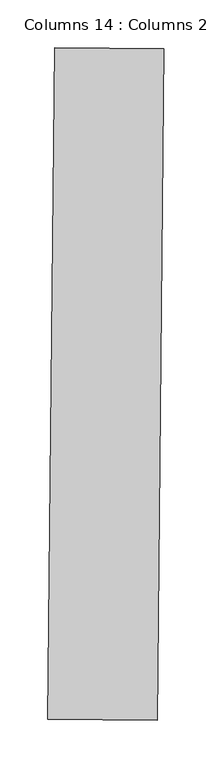
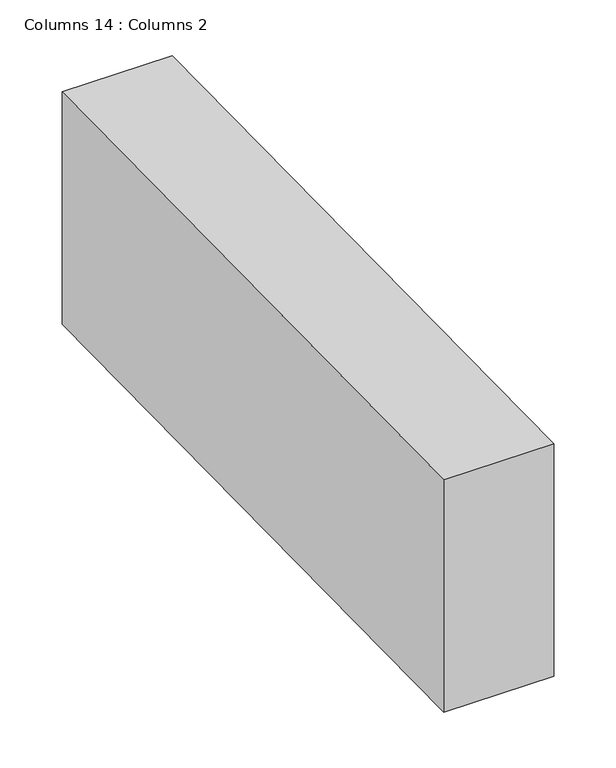
"""IFC4 building model written with IfcOpenShell, lengths in millimetres: column geometry, Columns 14 : Columns 2."""

import ifcopenshell
import ifcopenshell.guid

model = None  # the IFC model being written
_history = None  # IfcOwnerHistory: only IFC2X3 demands one
_inside = {}  # id of a spatial element -> (the spatial element, [elements in it])
_under = {}  # id of a project, library or spatial element -> (it, [spatial elements below it])
_declared = {}  # id of a project -> (the project, [libraries it declares])
_typed = {}  # id of a type object -> (the type object, [elements of that type])
_made_of = {}  # id of a material, layer set ... -> (it, [elements and type objects made of it])


def new_model(schema):
    """Start an empty IFC model of exactly this schema.

    Asked for "IFC4X3", IfcOpenShell would pick the latest addendum, in which some entities
    have other attributes; the version numbers below select the first issue.
    IFC2X3 requires an IfcOwnerHistory on every rooted entity: one is made here for all.
    """
    global model, _history
    if schema == "IFC4X3":
        model = ifcopenshell.file(schema_version=(4, 3, 0, 0))
    else:
        model = ifcopenshell.file(schema=schema)
    _inside.clear()
    _under.clear()
    _declared.clear()
    _typed.clear()
    _made_of.clear()
    _history = None
    if model.schema == "IFC2X3":
        org = make("IfcOrganization", Name="unknown")
        user = make(
            "IfcPersonAndOrganization",
            ThePerson=make("IfcPerson", FamilyName="unknown"),
            TheOrganization=org,
        )
        app = make(
            "IfcApplication",
            ApplicationDeveloper=org,
            Version="unknown",
            ApplicationFullName="unknown",
            ApplicationIdentifier="unknown",
        )
        _history = make(
            "IfcOwnerHistory",
            OwningUser=user,
            OwningApplication=app,
            ChangeAction="ADDED",
            CreationDate=0,
        )
    return model


def make(cls, **values):
    """One entity of the class cls with the attributes given. An attribute that is None is left unset."""
    return model.create_entity(
        cls, **{name: value for name, value in values.items() if value is not None}
    )


def rooted(cls, **values):
    """An entity with a GlobalId (a new one), such as an element, a storey or a relation."""
    return make(cls, GlobalId=ifcopenshell.guid.new(), OwnerHistory=_history, **values)


def si_unit(unit_type, name, prefix=None):
    """IfcSIUnit, for example si_unit("LENGTHUNIT", "METRE", prefix="MILLI")."""
    return make("IfcSIUnit", UnitType=unit_type, Prefix=prefix, Name=name)


def assignment(units):
    """IfcUnitAssignment: the units of a project."""
    return None if units is None else make("IfcUnitAssignment", Units=units)


def point(xyz):
    """IfcCartesianPoint."""
    return None if xyz is None else make("IfcCartesianPoint", Coordinates=xyz)


def direction(xyz):
    """IfcDirection."""
    return None if xyz is None else make("IfcDirection", DirectionRatios=xyz)


def frame(location, z_axis=None, x_axis=None):
    """IfcAxis2Placement3D, a coordinate frame: its origin and axes. An axis left out is left unset."""
    return make(
        "IfcAxis2Placement3D",
        Location=point(location),
        Axis=direction(z_axis),
        RefDirection=direction(x_axis),
    )


def origin():
    """The frame at (0, 0, 0) with its axes left unset."""
    return frame((0.0, 0.0, 0.0))


def place(relative_to, where):
    """IfcLocalPlacement: puts the frame where relative to a parent placement (None: the world)."""
    return make(
        "IfcLocalPlacement", PlacementRelTo=relative_to, RelativePlacement=where
    )


def context(
    kind, dimensions, precision=None, world=None, true_north=None, identifier=None
):
    """IfcGeometricRepresentationContext, for example the 3D "Model" context."""
    return make(
        "IfcGeometricRepresentationContext",
        ContextIdentifier=identifier,
        ContextType=kind,
        CoordinateSpaceDimension=dimensions,
        Precision=precision,
        WorldCoordinateSystem=world,
        TrueNorth=true_north,
    )


def project(units=None, contexts=None):
    """IfcProject with its units and contexts."""
    return rooted(
        "IfcProject",
        Name="project",
        RepresentationContexts=contexts,
        UnitsInContext=assignment(units),
    )


def spatial(cls, under=None, at=None, **own):
    """A site, building, storey or space (cls), placed at a placement, below another one or the project."""
    s = rooted(cls, ObjectPlacement=at, **own)
    if under is not None:
        _under.setdefault(under.id(), (under, []))[1].append(s)
    return s


def polyline(points):
    """IfcPolyline through the points."""
    return make("IfcPolyline", Points=[point(p) for p in points])


def outline(outer, holes=None, kind="AREA"):
    """IfcArbitraryClosedProfileDef: a profile drawn as a closed curve; with holes, ...WithVoids."""
    if holes is None:
        return make("IfcArbitraryClosedProfileDef", ProfileType=kind, OuterCurve=outer)
    return make(
        "IfcArbitraryProfileDefWithVoids",
        ProfileType=kind,
        OuterCurve=outer,
        InnerCurves=holes,
    )


def extrude(swept, where, along, depth):
    """IfcExtrudedAreaSolid: the profile swept, set in the frame where, extruded along a direction by depth."""
    return make(
        "IfcExtrudedAreaSolid",
        SweptArea=swept,
        Position=where,
        ExtrudedDirection=direction(along),
        Depth=depth,
    )


def shape(context_of_items, identifier, shape_type, items):
    """IfcShapeRepresentation: the items that make up one representation, for example the "Body"."""
    return make(
        "IfcShapeRepresentation",
        ContextOfItems=context_of_items,
        RepresentationIdentifier=identifier,
        RepresentationType=shape_type,
        Items=items,
    )


def source(mapping_origin, context_of_items, identifier, shape_type, items):
    """IfcRepresentationMap: a shape defined once, which mapped items show again and again."""
    return make(
        "IfcRepresentationMap",
        MappingOrigin=mapping_origin,
        MappedRepresentation=shape(context_of_items, identifier, shape_type, items),
    )


def transform(
    local_origin,
    x_axis=None,
    y_axis=None,
    z_axis=None,
    scale=None,
    scale2=None,
    scale3=None,
    uniform=True,
):
    """IfcCartesianTransformationOperator3D, or its non-uniform kind. x_axis, y_axis, z_axis: its Axis1, 2, 3."""
    if uniform:
        return make(
            "IfcCartesianTransformationOperator3D",
            Axis1=direction(x_axis),
            Axis2=direction(y_axis),
            LocalOrigin=point(local_origin),
            Scale=scale,
            Axis3=direction(z_axis),
        )
    return make(
        "IfcCartesianTransformationOperator3DnonUniform",
        Axis1=direction(x_axis),
        Axis2=direction(y_axis),
        LocalOrigin=point(local_origin),
        Scale=scale,
        Axis3=direction(z_axis),
        Scale2=scale2,
        Scale3=scale3,
    )


def mapped(mapping_source, mapping_target):
    """IfcMappedItem: shows the shape of a source again, moved by a transform."""
    return make(
        "IfcMappedItem", MappingSource=mapping_source, MappingTarget=mapping_target
    )


def made_of(thing, what):
    """Note that an element or type object is made of a material, layer set ...; save() writes the relation."""
    if what is not None:
        _made_of.setdefault(what.id(), (what, []))[1].append(thing)
    return thing


def element(
    cls,
    number,
    at=None,
    inside=None,
    cuts=None,
    type_object=None,
    material=None,
    context=None,
    identifier="Body",
    shape_type=None,
    held_by="IfcProductDefinitionShape",
    body=None,
    shapes=None,
    **own,
):
    """One element of the class cls, such as IfcWall. Its Tag is "e" and its number.

    at: its placement. inside: the storey or other place that contains it. cuts: it is an
    opening in that element (IfcRelVoidsElement). A single representation is given by context,
    identifier, shape_type and body (its items); several are given by shapes. held_by: the class
    of the entity that holds the representations. save() writes the other relations.
    """
    e = rooted(cls, Tag="e%d" % number, ObjectPlacement=at, **own)
    if body is not None:
        shapes = [shape(context, identifier, shape_type, body)]
    if shapes is not None:
        e.Representation = make(held_by, Representations=shapes)
    if inside is not None:
        _inside.setdefault(inside.id(), (inside, []))[1].append(e)
    if cuts is not None:
        rooted(
            "IfcRelVoidsElement", RelatingBuildingElement=cuts, RelatedOpeningElement=e
        )
    if type_object is not None:
        _typed.setdefault(type_object.id(), (type_object, []))[1].append(e)
    return made_of(e, material)


def aggregate(whole, parts):
    """IfcRelAggregates: a whole, such as a stair, and the parts it consists of."""
    return rooted("IfcRelAggregates", RelatingObject=whole, RelatedObjects=parts)


def save(model, path):
    """Write the relations noted so far, then the file.

    IfcRelAggregates (storeys below a building ...), IfcRelContainedInSpatialStructure (elements
    in a storey), IfcRelDefinesByType, IfcRelAssociatesMaterial and IfcRelDeclares: one each for
    every whole, place, type object, material and project.
    """
    for whole, parts in _under.values():
        aggregate(whole, parts)
    for where, things in _inside.values():
        rooted(
            "IfcRelContainedInSpatialStructure",
            RelatedElements=things,
            RelatingStructure=where,
        )
    for kind, things in _typed.values():
        rooted("IfcRelDefinesByType", RelatedObjects=things, RelatingType=kind)
    for what, things in _made_of.values():
        rooted("IfcRelAssociatesMaterial", RelatedObjects=things, RelatingMaterial=what)
    for by, libraries in _declared.values():
        rooted("IfcRelDeclares", RelatingContext=by, RelatedDefinitions=libraries)
    model.write(path)


def columns_14_columns_2_307ab0ef(model_context):
    return source(origin(), model_context, "Body", "SweptSolid", [
        extrude(outline(polyline([(-40906.8302901, 39147.549567), (-40899.7800451, 39850.2239896), (-40785.3882898, 39849.0762462), (-40792.4385348, 39146.4018236), (-40906.8302901, 39147.549567)])), frame((0.0, 0.0, 108538.0893746), z_axis=(0.0, 0.0, 1.0), x_axis=(1.0, 0.0, 0.0)), (0.0, 0.0, 1.0), 256.843492),
    ])


if __name__ == "__main__":
    model = new_model("IFC4")
    model_context = context("Model", 3, world=origin())
    ifc_project = project(units=[si_unit("LENGTHUNIT", "METRE", prefix="MILLI")], contexts=[model_context])
    site = spatial("IfcSite", under=ifc_project)
    building = spatial("IfcBuilding", under=site)
    placement = place(None, origin())
    columns_14_columns_2_shape = columns_14_columns_2_307ab0ef(model_context)
    element("IfcColumn", 1, ObjectType="Columns 14 : Columns 2", at=placement, inside=building, context=model_context, shape_type="MappedRepresentation", body=[
        mapped(columns_14_columns_2_shape, transform((0.0, 0.0, 0.0), x_axis=(1.0, 0.0, 0.0), y_axis=(0.0, 1.0, 0.0), z_axis=(0.0, 0.0, 1.0))),
    ])
    save(model, "model.ifc")
